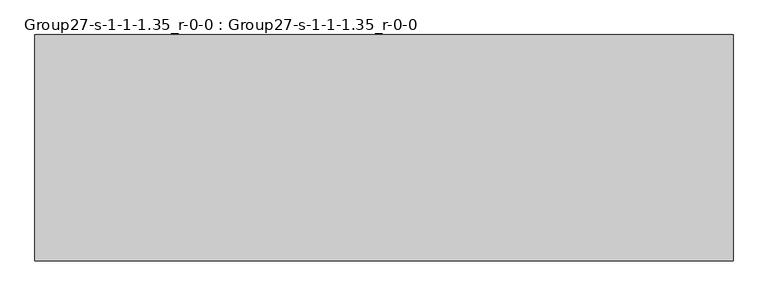
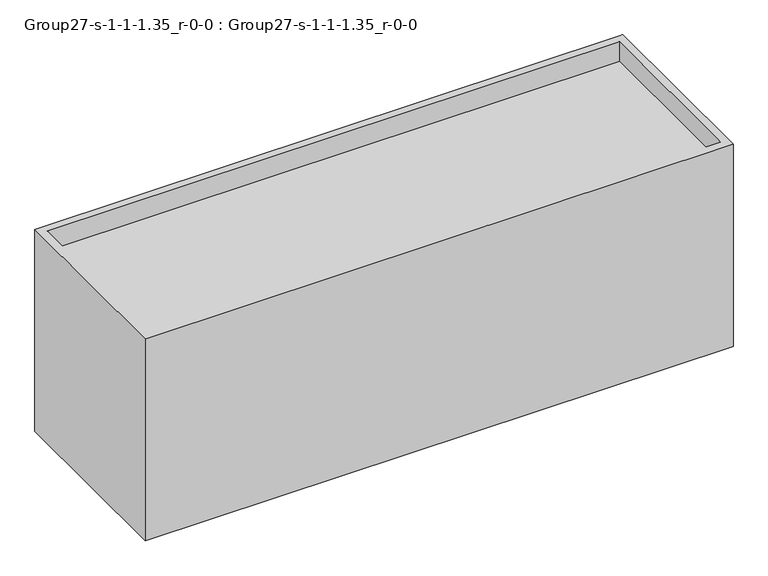
"""IFC4 building model written with IfcOpenShell, lengths in millimetres: geographic element geometry, Group27-s-1-1-1.35_r-0-0 : Group27-s-1-1-1.35_r-0-0."""

from ifc_helpers import new_model, si_unit, origin, place, context, project, spatial, triangles, source, transform, mapped, element, save


def group27_s_1_1_1_35_r_0_0_group27_s_1_1_1_35_r_0_0_7b5fa396(model_context):
    return source(origin(), model_context, "Body", "Tessellation", [
        triangles([(16976.7253876, 7585.0748062, 0.0), (16976.7253876, 0.0, 8499.6335175), (16976.7253876, 0.0, 0.0), (16976.7253876, 7585.0748062, 8499.6335175), (16671.9253876, 7280.2748062, 8499.6335175), (16671.9253876, 304.8, 7676.6738663), (16671.9253876, 304.8, 8499.6335175), (16671.9253876, 7280.2748062, 7676.6738663), (-6402.3429291, 7585.0748062, 8499.6335175), (-6402.3429291, 0.0, 0.0), (-6402.3429291, 0.0, 8499.6335175), (-6402.3429291, 7585.0748062, 0.0), (-6097.5429291, 7280.2748062, 7676.6738663), (-6097.5429291, 7280.2748062, 8499.6335175), (-6097.5429291, 304.8, 8499.6335175), (-6097.5429291, 304.8, 7676.6738663)], [[1, 2, 3], [2, 1, 4], [5, 6, 7], [6, 5, 8], [9, 10, 11], [10, 9, 12], [5, 13, 8], [13, 5, 14], [2, 10, 3], [10, 2, 11], [9, 1, 12], [1, 9, 4], [1, 10, 12], [10, 1, 3], [11, 15, 9], [15, 11, 2], [15, 2, 7], [7, 2, 5], [9, 14, 4], [14, 9, 15], [4, 14, 5], [4, 5, 2], [13, 15, 16], [15, 13, 14], [15, 6, 16], [6, 15, 7], [6, 13, 16], [13, 6, 8]]),
    ])


if __name__ == "__main__":
    model = new_model("IFC4")
    model_context = context("Model", 3, world=origin())
    ifc_project = project(units=[si_unit("LENGTHUNIT", "METRE", prefix="MILLI")], contexts=[model_context])
    site = spatial("IfcSite", under=ifc_project)
    building = spatial("IfcBuilding", under=site)
    placement = place(None, origin())
    group27_s_1_1_1_35_r_0_0_group27_s_1_1_1_35_r_0_0_shape = group27_s_1_1_1_35_r_0_0_group27_s_1_1_1_35_r_0_0_7b5fa396(model_context)
    element("IfcGeographicElement", 1, ObjectType="Group27-s-1-1-1.35_r-0-0 : Group27-s-1-1-1.35_r-0-0", at=placement, inside=building, context=model_context, shape_type="MappedRepresentation", body=[
        mapped(group27_s_1_1_1_35_r_0_0_group27_s_1_1_1_35_r_0_0_shape, transform((0.0, 0.0, 0.0), x_axis=(1.0, 0.0, 0.0), y_axis=(0.0, 1.0, 0.0), z_axis=(0.0, 0.0, 1.0))),
    ])
    save(model, "model.ifc")
